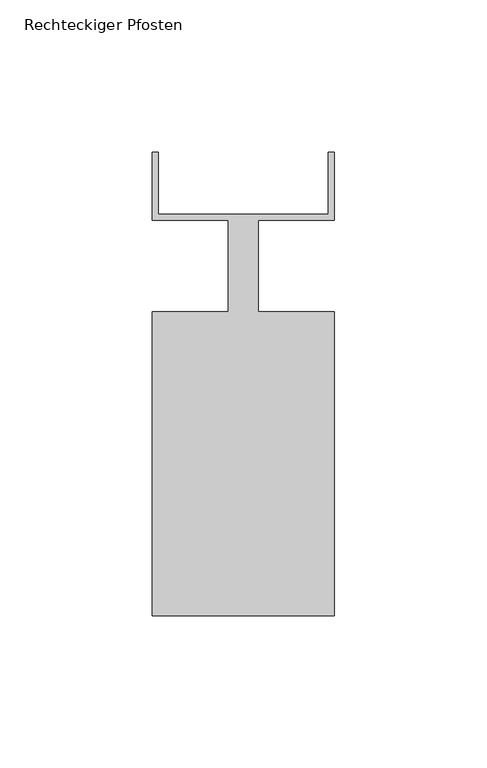
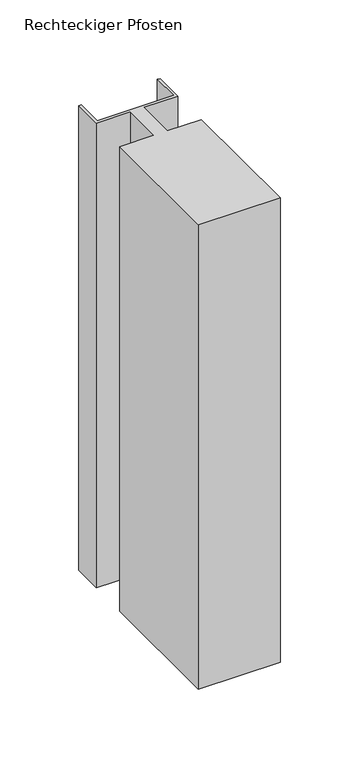
"""IFC4 building model written with IfcOpenShell, lengths in millimetres: member geometry, Rechteckiger Pfosten."""

from ifc_helpers import new_model, si_unit, frame, origin, place, context, project, spatial, polyline, outline, extrude, source, transform, mapped, element, save


def rechteckiger_pfosten_29d0fb51(model_context):
    return source(origin(), model_context, "Body", "SweptSolid", [
        extrude(outline(polyline([(-58.0, 37.5), (-58.0, 17.0), (-2.0, 17.0), (-2.0, 37.5), (0.0, 37.5), (0.0, 15.0), (-25.0, 15.0), (-25.0, -15.0), (0.0, -15.0), (0.0, -115.0), (-60.0, -115.0), (-60.0, -15.0), (-35.0, -15.0), (-35.0, 15.0), (-60.0, 15.0), (-60.0, 37.5), (-58.0, 37.5)])), frame((0.0, 0.0, -361.1111111), z_axis=(0.0, 0.0, 1.0), x_axis=(1.0, 0.0, 0.0)), (0.0, 0.0, 1.0), 361.1111111),
    ])


if __name__ == "__main__":
    model = new_model("IFC4")
    model_context = context("Model", 3, world=origin())
    ifc_project = project(units=[si_unit("LENGTHUNIT", "METRE", prefix="MILLI")], contexts=[model_context])
    site = spatial("IfcSite", under=ifc_project)
    building = spatial("IfcBuilding", under=site)
    placement = place(None, origin())
    rechteckiger_pfosten_shape = rechteckiger_pfosten_29d0fb51(model_context)
    element("IfcMember", 1, ObjectType="Rechteckiger Pfosten", at=placement, inside=building, context=model_context, shape_type="MappedRepresentation", body=[
        mapped(rechteckiger_pfosten_shape, transform((0.0, 0.0, 0.0), x_axis=(1.0, 0.0, 0.0), y_axis=(0.0, 1.0, 0.0), z_axis=(0.0, 0.0, 1.0))),
    ])
    save(model, "model.ifc")
